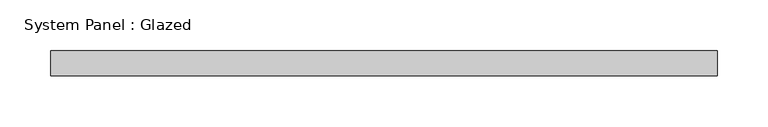
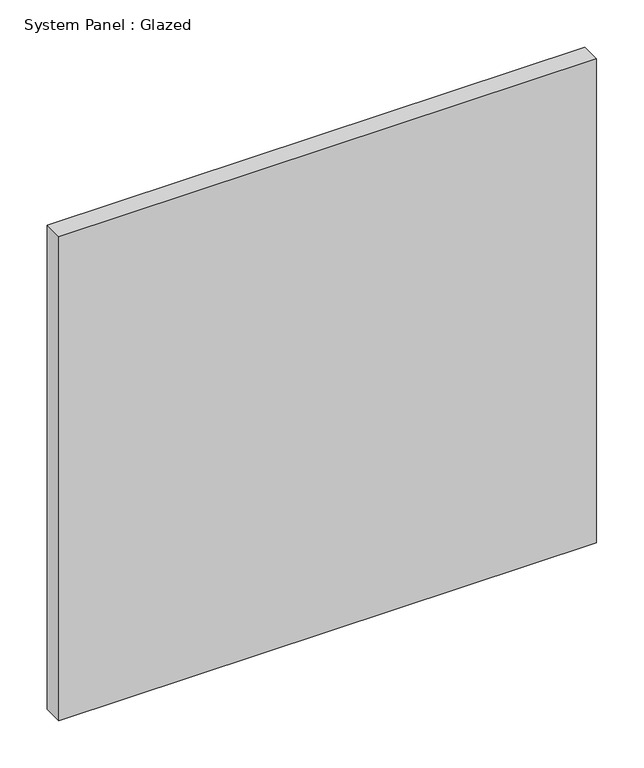
"""IFC4 building model written with IfcOpenShell, lengths in millimetres: plate geometry, System Panel : Glazed."""

import ifcopenshell
import ifcopenshell.guid

model = None  # the IFC model being written
_history = None  # IfcOwnerHistory: only IFC2X3 demands one
_inside = {}  # id of a spatial element -> (the spatial element, [elements in it])
_under = {}  # id of a project, library or spatial element -> (it, [spatial elements below it])
_declared = {}  # id of a project -> (the project, [libraries it declares])
_typed = {}  # id of a type object -> (the type object, [elements of that type])
_made_of = {}  # id of a material, layer set ... -> (it, [elements and type objects made of it])


def new_model(schema):
    """Start an empty IFC model of exactly this schema.

    Asked for "IFC4X3", IfcOpenShell would pick the latest addendum, in which some entities
    have other attributes; the version numbers below select the first issue.
    IFC2X3 requires an IfcOwnerHistory on every rooted entity: one is made here for all.
    """
    global model, _history
    if schema == "IFC4X3":
        model = ifcopenshell.file(schema_version=(4, 3, 0, 0))
    else:
        model = ifcopenshell.file(schema=schema)
    _inside.clear()
    _under.clear()
    _declared.clear()
    _typed.clear()
    _made_of.clear()
    _history = None
    if model.schema == "IFC2X3":
        org = make("IfcOrganization", Name="unknown")
        user = make(
            "IfcPersonAndOrganization",
            ThePerson=make("IfcPerson", FamilyName="unknown"),
            TheOrganization=org,
        )
        app = make(
            "IfcApplication",
            ApplicationDeveloper=org,
            Version="unknown",
            ApplicationFullName="unknown",
            ApplicationIdentifier="unknown",
        )
        _history = make(
            "IfcOwnerHistory",
            OwningUser=user,
            OwningApplication=app,
            ChangeAction="ADDED",
            CreationDate=0,
        )
    return model


def make(cls, **values):
    """One entity of the class cls with the attributes given. An attribute that is None is left unset."""
    return model.create_entity(
        cls, **{name: value for name, value in values.items() if value is not None}
    )


def rooted(cls, **values):
    """An entity with a GlobalId (a new one), such as an element, a storey or a relation."""
    return make(cls, GlobalId=ifcopenshell.guid.new(), OwnerHistory=_history, **values)


def si_unit(unit_type, name, prefix=None):
    """IfcSIUnit, for example si_unit("LENGTHUNIT", "METRE", prefix="MILLI")."""
    return make("IfcSIUnit", UnitType=unit_type, Prefix=prefix, Name=name)


def assignment(units):
    """IfcUnitAssignment: the units of a project."""
    return None if units is None else make("IfcUnitAssignment", Units=units)


def point(xyz):
    """IfcCartesianPoint."""
    return None if xyz is None else make("IfcCartesianPoint", Coordinates=xyz)


def direction(xyz):
    """IfcDirection."""
    return None if xyz is None else make("IfcDirection", DirectionRatios=xyz)


def frame(location, z_axis=None, x_axis=None):
    """IfcAxis2Placement3D, a coordinate frame: its origin and axes. An axis left out is left unset."""
    return make(
        "IfcAxis2Placement3D",
        Location=point(location),
        Axis=direction(z_axis),
        RefDirection=direction(x_axis),
    )


def origin():
    """The frame at (0, 0, 0) with its axes left unset."""
    return frame((0.0, 0.0, 0.0))


def origin_with_axes():
    """The frame at (0, 0, 0) with the z axis (0, 0, 1) and the x axis (1, 0, 0) written out."""
    return frame((0.0, 0.0, 0.0), z_axis=(0.0, 0.0, 1.0), x_axis=(1.0, 0.0, 0.0))


def place(relative_to, where):
    """IfcLocalPlacement: puts the frame where relative to a parent placement (None: the world)."""
    return make(
        "IfcLocalPlacement", PlacementRelTo=relative_to, RelativePlacement=where
    )


def context(
    kind, dimensions, precision=None, world=None, true_north=None, identifier=None
):
    """IfcGeometricRepresentationContext, for example the 3D "Model" context."""
    return make(
        "IfcGeometricRepresentationContext",
        ContextIdentifier=identifier,
        ContextType=kind,
        CoordinateSpaceDimension=dimensions,
        Precision=precision,
        WorldCoordinateSystem=world,
        TrueNorth=true_north,
    )


def project(units=None, contexts=None):
    """IfcProject with its units and contexts."""
    return rooted(
        "IfcProject",
        Name="project",
        RepresentationContexts=contexts,
        UnitsInContext=assignment(units),
    )


def spatial(cls, under=None, at=None, **own):
    """A site, building, storey or space (cls), placed at a placement, below another one or the project."""
    s = rooted(cls, ObjectPlacement=at, **own)
    if under is not None:
        _under.setdefault(under.id(), (under, []))[1].append(s)
    return s


def polyline(points):
    """IfcPolyline through the points."""
    return make("IfcPolyline", Points=[point(p) for p in points])


def outline(outer, holes=None, kind="AREA"):
    """IfcArbitraryClosedProfileDef: a profile drawn as a closed curve; with holes, ...WithVoids."""
    if holes is None:
        return make("IfcArbitraryClosedProfileDef", ProfileType=kind, OuterCurve=outer)
    return make(
        "IfcArbitraryProfileDefWithVoids",
        ProfileType=kind,
        OuterCurve=outer,
        InnerCurves=holes,
    )


def extrude(swept, where, along, depth):
    """IfcExtrudedAreaSolid: the profile swept, set in the frame where, extruded along a direction by depth."""
    return make(
        "IfcExtrudedAreaSolid",
        SweptArea=swept,
        Position=where,
        ExtrudedDirection=direction(along),
        Depth=depth,
    )


def shape(context_of_items, identifier, shape_type, items):
    """IfcShapeRepresentation: the items that make up one representation, for example the "Body"."""
    return make(
        "IfcShapeRepresentation",
        ContextOfItems=context_of_items,
        RepresentationIdentifier=identifier,
        RepresentationType=shape_type,
        Items=items,
    )


def source(mapping_origin, context_of_items, identifier, shape_type, items):
    """IfcRepresentationMap: a shape defined once, which mapped items show again and again."""
    return make(
        "IfcRepresentationMap",
        MappingOrigin=mapping_origin,
        MappedRepresentation=shape(context_of_items, identifier, shape_type, items),
    )


def transform(
    local_origin,
    x_axis=None,
    y_axis=None,
    z_axis=None,
    scale=None,
    scale2=None,
    scale3=None,
    uniform=True,
):
    """IfcCartesianTransformationOperator3D, or its non-uniform kind. x_axis, y_axis, z_axis: its Axis1, 2, 3."""
    if uniform:
        return make(
            "IfcCartesianTransformationOperator3D",
            Axis1=direction(x_axis),
            Axis2=direction(y_axis),
            LocalOrigin=point(local_origin),
            Scale=scale,
            Axis3=direction(z_axis),
        )
    return make(
        "IfcCartesianTransformationOperator3DnonUniform",
        Axis1=direction(x_axis),
        Axis2=direction(y_axis),
        LocalOrigin=point(local_origin),
        Scale=scale,
        Axis3=direction(z_axis),
        Scale2=scale2,
        Scale3=scale3,
    )


def mapped(mapping_source, mapping_target):
    """IfcMappedItem: shows the shape of a source again, moved by a transform."""
    return make(
        "IfcMappedItem", MappingSource=mapping_source, MappingTarget=mapping_target
    )


def made_of(thing, what):
    """Note that an element or type object is made of a material, layer set ...; save() writes the relation."""
    if what is not None:
        _made_of.setdefault(what.id(), (what, []))[1].append(thing)
    return thing


def element(
    cls,
    number,
    at=None,
    inside=None,
    cuts=None,
    type_object=None,
    material=None,
    context=None,
    identifier="Body",
    shape_type=None,
    held_by="IfcProductDefinitionShape",
    body=None,
    shapes=None,
    **own,
):
    """One element of the class cls, such as IfcWall. Its Tag is "e" and its number.

    at: its placement. inside: the storey or other place that contains it. cuts: it is an
    opening in that element (IfcRelVoidsElement). A single representation is given by context,
    identifier, shape_type and body (its items); several are given by shapes. held_by: the class
    of the entity that holds the representations. save() writes the other relations.
    """
    e = rooted(cls, Tag="e%d" % number, ObjectPlacement=at, **own)
    if body is not None:
        shapes = [shape(context, identifier, shape_type, body)]
    if shapes is not None:
        e.Representation = make(held_by, Representations=shapes)
    if inside is not None:
        _inside.setdefault(inside.id(), (inside, []))[1].append(e)
    if cuts is not None:
        rooted(
            "IfcRelVoidsElement", RelatingBuildingElement=cuts, RelatedOpeningElement=e
        )
    if type_object is not None:
        _typed.setdefault(type_object.id(), (type_object, []))[1].append(e)
    return made_of(e, material)


def aggregate(whole, parts):
    """IfcRelAggregates: a whole, such as a stair, and the parts it consists of."""
    return rooted("IfcRelAggregates", RelatingObject=whole, RelatedObjects=parts)


def save(model, path):
    """Write the relations noted so far, then the file.

    IfcRelAggregates (storeys below a building ...), IfcRelContainedInSpatialStructure (elements
    in a storey), IfcRelDefinesByType, IfcRelAssociatesMaterial and IfcRelDeclares: one each for
    every whole, place, type object, material and project.
    """
    for whole, parts in _under.values():
        aggregate(whole, parts)
    for where, things in _inside.values():
        rooted(
            "IfcRelContainedInSpatialStructure",
            RelatedElements=things,
            RelatingStructure=where,
        )
    for kind, things in _typed.values():
        rooted("IfcRelDefinesByType", RelatedObjects=things, RelatingType=kind)
    for what, things in _made_of.values():
        rooted("IfcRelAssociatesMaterial", RelatedObjects=things, RelatingMaterial=what)
    for by, libraries in _declared.values():
        rooted("IfcRelDeclares", RelatingContext=by, RelatedDefinitions=libraries)
    model.write(path)


def system_panel_glazed_0abfc951(model_context):
    return source(origin(), model_context, "Body", "SweptSolid", [
        extrude(outline(polyline([(329.5, -49.5), (-329.5, -49.5), (-329.5, -24.5), (329.5, -24.5), (329.5, -49.5)])), origin_with_axes(), (0.0, 0.0, 1.0), 626.6666667),
    ])


if __name__ == "__main__":
    model = new_model("IFC4")
    model_context = context("Model", 3, world=origin())
    ifc_project = project(units=[si_unit("LENGTHUNIT", "METRE", prefix="MILLI")], contexts=[model_context])
    site = spatial("IfcSite", under=ifc_project)
    building = spatial("IfcBuilding", under=site)
    placement = place(None, origin())
    system_panel_glazed_shape = system_panel_glazed_0abfc951(model_context)
    element("IfcPlate", 1, ObjectType="System Panel : Glazed", at=placement, inside=building, context=model_context, shape_type="MappedRepresentation", body=[
        mapped(system_panel_glazed_shape, transform((0.0, 0.0, 0.0), x_axis=(1.0, 0.0, 0.0), y_axis=(0.0, 1.0, 0.0), z_axis=(0.0, 0.0, 1.0))),
    ])
    save(model, "model.ifc")
